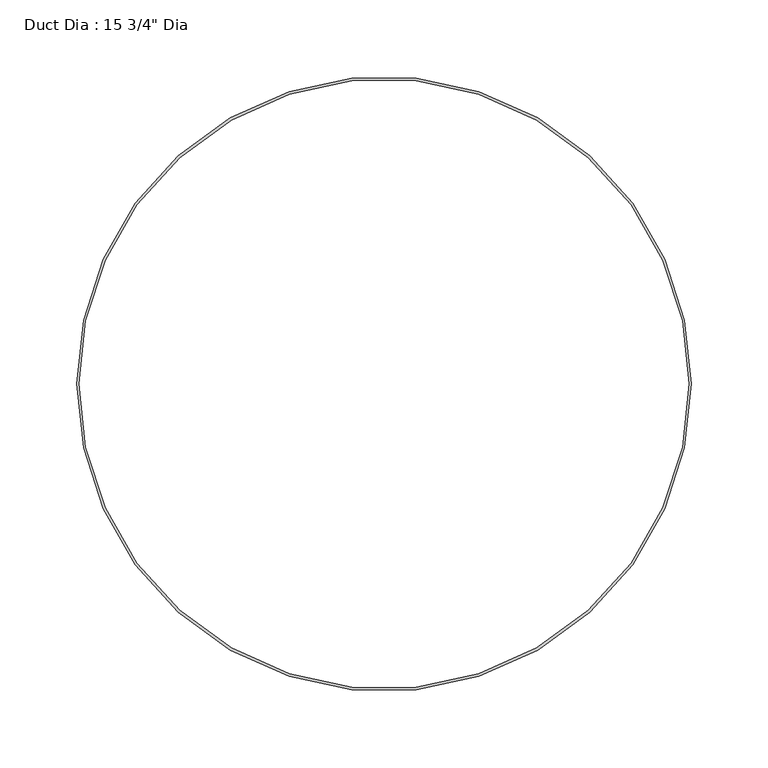
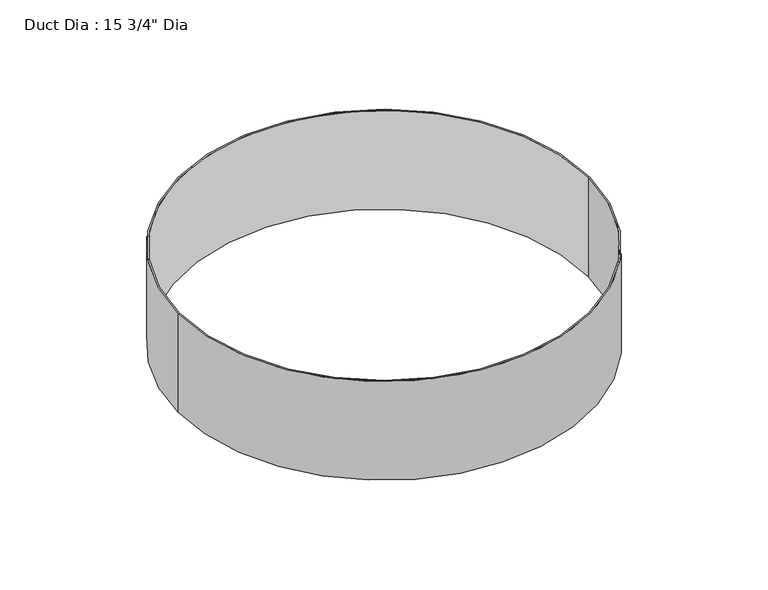
"""IFC4 building model written with IfcOpenShell, lengths in millimetres: proxy geometry."""

from ifc_helpers import new_model, si_unit, point, origin, origin_with_axes, origin_2d, place, context, project, spatial, circle_curve, trimmed, segment, composite_curve, outline, extrude, source, transform, mapped, element, save


def proxy_14d6cb6f(model_context):
    return source(origin(), model_context, "Body", "SweptSolid", [
        extrude(outline(composite_curve([segment(trimmed(circle_curve(origin_2d(), 200.025), [point((-200.025, 0.0))], [point((200.025, 0.0))], False, "CARTESIAN"), True, "CONTINUOUS"), segment(trimmed(circle_curve(origin_2d(), 200.025), [point((200.025, 0.0))], [point((-200.025, 0.0))], False, "CARTESIAN"), True, "CONTINUOUS")], self_intersect=False), holes=[composite_curve([segment(trimmed(circle_curve(origin_2d(), 198.4375), [point((-198.4375, 0.0))], [point((198.4375, 0.0))], True, "CARTESIAN"), True, "CONTINUOUS"), segment(trimmed(circle_curve(origin_2d(), 198.4375), [point((198.4375, 0.0))], [point((-198.4375, 0.0))], True, "CARTESIAN"), True, "CONTINUOUS")], self_intersect=False)]), origin_with_axes(), (0.0, 0.0, 1.0), 101.6),
    ])


if __name__ == "__main__":
    model = new_model("IFC4")
    model_context = context("Model", 3, world=origin())
    ifc_project = project(units=[si_unit("LENGTHUNIT", "METRE", prefix="MILLI")], contexts=[model_context])
    site = spatial("IfcSite", under=ifc_project)
    building = spatial("IfcBuilding", under=site)
    placement = place(None, origin())
    proxy_shape = proxy_14d6cb6f(model_context)
    element("IfcBuildingElementProxy", 1, Name="Duct Dia : 15 3/4\" Dia", ObjectType="Duct Dia : 15 3/4\" Dia", at=placement, inside=building, context=model_context, shape_type="MappedRepresentation", body=[
        mapped(proxy_shape, transform((0.0, 0.0, 0.0), x_axis=(1.0, 0.0, 0.0), y_axis=(0.0, 1.0, 0.0), z_axis=(0.0, 0.0, 1.0))),
    ])
    save(model, "model.ifc")
